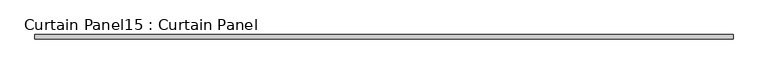
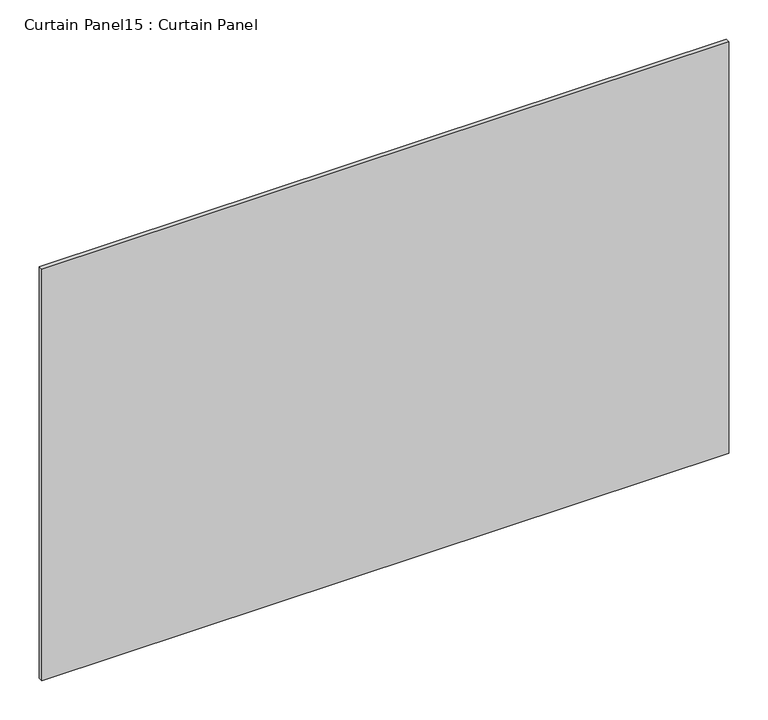
"""IFC4 building model written with IfcOpenShell, lengths in millimetres: plate geometry, Curtain Panel15 : Curtain Panel."""

from ifc_helpers import new_model, si_unit, frame, origin, place, context, project, spatial, polyline, outline, extrude, source, transform, mapped, element, save


def curtain_panel15_curtain_panel_687054d6(model_context):
    return source(origin(), model_context, "Body", "SweptSolid", [
        extrude(outline(polyline([(1424.4627701, 3568.3617926), (413.6847203, 3568.3617926), (413.6847203, 3574.7117926), (1424.4627701, 3574.7117926), (1424.4627701, 3568.3617926)])), frame((0.0, 0.0, 683.2652917), z_axis=(0.0, 0.0, 1.0), x_axis=(1.0, 0.0, 0.0)), (0.0, 0.0, 1.0), 640.0694167),
    ])


if __name__ == "__main__":
    model = new_model("IFC4")
    model_context = context("Model", 3, world=origin())
    ifc_project = project(units=[si_unit("LENGTHUNIT", "METRE", prefix="MILLI")], contexts=[model_context])
    site = spatial("IfcSite", under=ifc_project)
    building = spatial("IfcBuilding", under=site)
    placement = place(None, origin())
    curtain_panel15_curtain_panel_shape = curtain_panel15_curtain_panel_687054d6(model_context)
    element("IfcPlate", 1, ObjectType="Curtain Panel15 : Curtain Panel", at=placement, inside=building, context=model_context, shape_type="MappedRepresentation", body=[
        mapped(curtain_panel15_curtain_panel_shape, transform((0.0, 0.0, 0.0), x_axis=(1.0, 0.0, 0.0), y_axis=(0.0, 1.0, 0.0), z_axis=(0.0, 0.0, 1.0))),
    ])
    save(model, "model.ifc")
